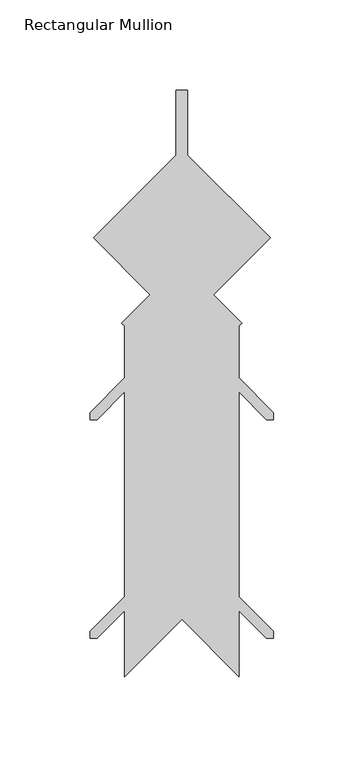
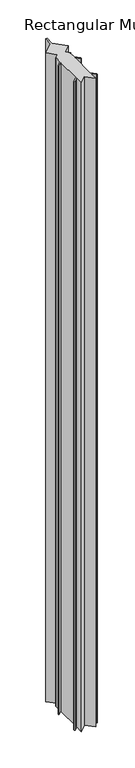
"""IFC4 building model written with IfcOpenShell, lengths in millimetres: member geometry, Rectangular Mullion."""

from ifc_helpers import new_model, si_unit, frame, origin, place, context, project, spatial, polyline, outline, extrude, source, transform, mapped, element, save


def rectangular_mullion_3023c777(model_context):
    return source(origin(), model_context, "Body", "SweptSolid", [
        extrude(outline(polyline([(-50.8792172, -138.693447), (-82.6292173, -170.4434471), (-82.6292173, -133.9113808), (-97.8789552, -149.1611187), (-101.7584079, -149.1611177), (-101.7584079, -145.2816301), (-82.6292173, -126.1524395), (-82.6292173, -12.6783083), (-97.878963, -27.928054), (-101.7584157, -27.9280531), (-101.7584157, -24.0485654), (-82.6292173, -4.919367), (-82.6292173, 23.8892953), (-84.2456634, 25.5057414), (-68.5302152, 41.2211896), (-99.9604352, 72.6514096), (-54.0542173, 118.5576275), (-54.0542173, 154.4590173), (-47.7042173, 154.4590173), (-47.7042173, 118.5589804), (-1.797323, 72.6520861), (-33.2282194, 41.2211896), (-17.5127712, 25.5057414), (-19.1292173, 23.8892953), (-19.1292173, -4.919367), (0.0, -24.0485843), (0.0, -27.928054), (-3.8794716, -27.928054), (-19.1292173, -12.6783083), (-19.1292173, -126.1524395), (-9.3e-06, -145.2816476), (-9.3e-06, -149.1611177), (-3.8794795, -149.1611187), (-19.1292173, -133.9113808), (-19.1292173, -170.4434469), (-50.8792172, -138.693447)])), frame((0.0, 0.0, -3048.0), z_axis=(0.0, 0.0, 1.0), x_axis=(1.0, 0.0, 0.0)), (0.0, 0.0, 1.0), 3048.0),
    ])


if __name__ == "__main__":
    model = new_model("IFC4")
    model_context = context("Model", 3, world=origin())
    ifc_project = project(units=[si_unit("LENGTHUNIT", "METRE", prefix="MILLI")], contexts=[model_context])
    site = spatial("IfcSite", under=ifc_project)
    building = spatial("IfcBuilding", under=site)
    placement = place(None, origin())
    rectangular_mullion_shape = rectangular_mullion_3023c777(model_context)
    element("IfcMember", 1, ObjectType="Rectangular Mullion", at=placement, inside=building, context=model_context, shape_type="MappedRepresentation", body=[
        mapped(rectangular_mullion_shape, transform((0.0, 0.0, 0.0), x_axis=(1.0, 0.0, 0.0), y_axis=(0.0, 1.0, 0.0), z_axis=(0.0, 0.0, 1.0))),
    ])
    save(model, "model.ifc")
